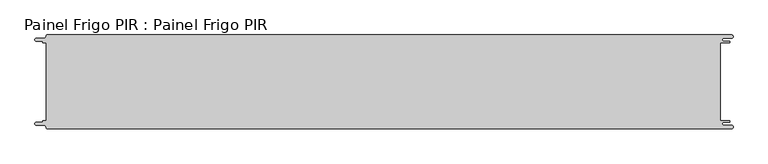
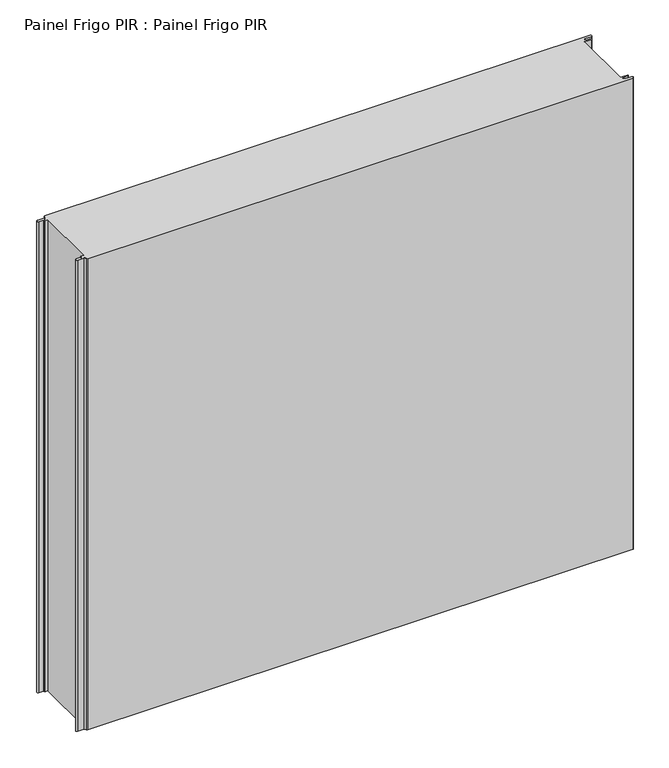
"""IFC4 building model written with IfcOpenShell, lengths in millimetres: proxy geometry, Painel Frigo PIR : Painel Frigo PIR."""

from ifc_helpers import new_model, si_unit, frame, origin, place, context, project, spatial, polyline, circle_curve, source, transform, mapped, element, save
from ifc_brep_helpers import plane_surface, cylinder_surface, revolved_surface, advanced_brep


def painel_frigo_pir_painel_frigo_pir_6bec396d(model_context):
    return source(origin(), model_context, "Body", "AdvancedBrep", [
        advanced_brep(
        [(-554.5874998, 62.3, 1000.0), (-549.2999612, 62.3, 1000.0), (-549.2999612, -62.2999995, 1000.0), (-554.5874998, -62.2999995, 1000.0), (-555.1875003, -62.9, 1000.0), (-555.1875003, -63.7085185, 1000.0), (-556.5875003, -65.1085185, 1000.0), (-565.565625, -65.1085185, 1000.0), (-565.565625, -69.5085185, 1000.0), (-553.55, -69.5085185, 1000.0), (-550.0, -73.0585185, 1000.0), (-548.05, -75.0, 1000.0), (546.89375, -75.0, 1000.0), (546.89375, -69.725, 1000.0), (534.45625, -69.725, 1000.0), (534.45625, -64.875, 1000.0), (543.1187503, -64.875, 1000.0), (543.1187503, -62.3, 1000.0), (529.2687503, -62.3, 1000.0), (529.2687503, 62.3, 1000.0), (543.1187503, 62.3, 1000.0), (543.1187503, 64.875, 1000.0), (534.45625, 64.875, 1000.0), (534.45625, 69.725, 1000.0), (546.89375, 69.725, 1000.0), (546.89375, 75.0, 1000.0), (-548.05, 75.0, 1000.0), (-550.0, 73.05, 1000.0), (-553.55, 69.5085185, 1000.0), (-565.565625, 69.5085185, 1000.0), (-565.565625, 65.1085187, 1000.0), (-556.5875001, 65.1085187, 1000.0), (-555.1874998, 63.7085184, 1000.0), (-555.1874998, 62.9, 1000.0), (-554.5874998, 62.3, 0.0), (-555.1874998, 62.9, 0.0), (-555.1874998, 63.7085184, 0.0), (-556.5875001, 65.1085187, 0.0), (-565.565625, 65.1085187, 0.0), (-565.565625, 69.5085185, 0.0), (-553.55, 69.5085185, 0.0), (-550.0, 73.0585185, 0.0), (-548.05, 75.0, 0.0), (546.89375, 75.0, 0.0), (546.89375, 69.725, 0.0), (534.45625, 69.725, 0.0), (534.45625, 64.875, 0.0), (543.1187503, 64.875, 0.0), (543.1187503, 62.3, 0.0), (529.2687503, 62.3, 0.0), (529.2687503, -62.3, 0.0), (543.1187503, -62.3, 0.0), (543.1187503, -64.875, 0.0), (534.45625, -64.875, 0.0), (534.45625, -69.725, 0.0), (546.89375, -69.725, 0.0), (546.89375, -75.0, 0.0), (-548.05, -75.0, 0.0), (-550.0, -73.05, 0.0), (-553.55, -69.5085185, 0.0), (-565.565625, -69.5085185, 0.0), (-565.565625, -65.1085185, 0.0), (-556.5875003, -65.1085185, 0.0), (-555.1875003, -63.7085185, 0.0), (-555.1875003, -62.9, 0.0), (-554.5874998, -62.2999995, 0.0), (-549.2999612, -62.2999995, 0.0), (-549.2999612, 62.3, 0.0)],
        [
            (0, 1),
            (1, 2),
            (2, 3),
            (3, 4, circle_curve(frame((-554.5874998, -62.9, 1000.0), z_axis=(0.0, 0.0, 1.0), x_axis=(1.0, 0.0, 0.0)), 0.6000005)),
            (4, 5),
            (5, 6, circle_curve(frame((-556.5875003, -63.7085185, 1000.0), z_axis=(0.0, 0.0, -1.0), x_axis=(1.0, 0.0, 0.0)), 1.4)),
            (6, 7),
            (7, 8, circle_curve(frame((-565.565625, -67.3085185, 1000.0), z_axis=(0.0, 0.0, 1.0), x_axis=(1.0, 0.0, 0.0)), 2.2)),
            (8, 9),
            (9, 10, circle_curve(frame((-553.55, -73.0585185, 1000.0), z_axis=(0.0, 0.0, -1.0), x_axis=(1.0, 0.0, 0.0)), 3.55)),
            (10, 11, circle_curve(frame((-548.05, -73.05, 1000.0), z_axis=(0.0, 0.0, 1.0), x_axis=(1.0, 0.0, 0.0)), 1.95)),
            (11, 12),
            (12, 13, circle_curve(frame((546.89375, -72.3625, 1000.0), z_axis=(0.0, 0.0, 1.0), x_axis=(1.0, 0.0, 0.0)), 2.6375)),
            (13, 14),
            (14, 15, circle_curve(frame((534.45625, -67.3, 1000.0), z_axis=(0.0, 0.0, -1.0), x_axis=(1.0, 0.0, 0.0)), 2.425)),
            (15, 16),
            (16, 17, circle_curve(frame((543.1187503, -63.5875, 1000.0), z_axis=(0.0, 0.0, 1.0), x_axis=(1.0, 0.0, 0.0)), 1.2875)),
            (17, 18),
            (18, 19),
            (19, 20),
            (20, 21, circle_curve(frame((543.1187503, 63.5875, 1000.0), z_axis=(0.0, 0.0, 1.0), x_axis=(1.0, 0.0, 0.0)), 1.2875)),
            (21, 22),
            (22, 23, circle_curve(frame((534.45625, 67.3, 1000.0), z_axis=(0.0, 0.0, -1.0), x_axis=(1.0, 0.0, 0.0)), 2.425)),
            (23, 24),
            (24, 25, circle_curve(frame((546.89375, 72.3625, 1000.0), z_axis=(0.0, 0.0, 1.0), x_axis=(1.0, 0.0, 0.0)), 2.6375)),
            (25, 26),
            (26, 27, circle_curve(frame((-548.05, 73.05, 1000.0), z_axis=(0.0, 0.0, 1.0), x_axis=(1.0, 0.0, 0.0)), 1.95)),
            (27, 28, circle_curve(frame((-553.55, 73.0585185, 1000.0), z_axis=(0.0, 0.0, -1.0), x_axis=(1.0, 0.0, 0.0)), 3.55)),
            (28, 29),
            (29, 30, circle_curve(frame((-565.565625, 67.3085186, 1000.0), z_axis=(0.0, 0.0, 1.0), x_axis=(1.0, 0.0, 0.0)), 2.1999999)),
            (30, 31),
            (31, 32, circle_curve(frame((-556.5875001, 63.7085184, 1000.0), z_axis=(0.0, 0.0, -1.0), x_axis=(1.0, 0.0, 0.0)), 1.4000003)),
            (32, 33),
            (33, 0, circle_curve(frame((-554.5874998, 62.9, 1000.0), z_axis=(0.0, 0.0, 1.0), x_axis=(1.0, 0.0, 0.0)), 0.6)),
            (34, 35, circle_curve(frame((-554.5874998, 62.9, 0.0), z_axis=(0.0, 0.0, -1.0), x_axis=(1.0, 0.0, 0.0)), 0.6)),
            (35, 36),
            (36, 37, circle_curve(frame((-556.5875001, 63.7085184, 0.0), z_axis=(0.0, 0.0, 1.0), x_axis=(1.0, 0.0, 0.0)), 1.4000003)),
            (37, 38),
            (38, 39, circle_curve(frame((-565.565625, 67.3085186, 0.0), z_axis=(0.0, 0.0, -1.0), x_axis=(1.0, 0.0, 0.0)), 2.1999999)),
            (39, 40),
            (40, 41, circle_curve(frame((-553.55, 73.0585185, 0.0), z_axis=(0.0, 0.0, 1.0), x_axis=(1.0, 0.0, 0.0)), 3.55)),
            (41, 42, circle_curve(frame((-548.05, 73.05, 0.0), z_axis=(0.0, 0.0, -1.0), x_axis=(1.0, 0.0, 0.0)), 1.95)),
            (42, 43),
            (43, 44, circle_curve(frame((546.89375, 72.3625, 0.0), z_axis=(0.0, 0.0, -1.0), x_axis=(1.0, 0.0, 0.0)), 2.6375)),
            (44, 45),
            (45, 46, circle_curve(frame((534.45625, 67.3, 0.0), z_axis=(0.0, 0.0, 1.0), x_axis=(1.0, 0.0, 0.0)), 2.425)),
            (46, 47),
            (47, 48, circle_curve(frame((543.1187503, 63.5875, 0.0), z_axis=(0.0, 0.0, -1.0), x_axis=(1.0, 0.0, 0.0)), 1.2875)),
            (48, 49),
            (49, 50),
            (50, 51),
            (51, 52, circle_curve(frame((543.1187503, -63.5875, 0.0), z_axis=(0.0, 0.0, -1.0), x_axis=(1.0, 0.0, 0.0)), 1.2875)),
            (52, 53),
            (53, 54, circle_curve(frame((534.45625, -67.3, 0.0), z_axis=(0.0, 0.0, 1.0), x_axis=(1.0, 0.0, 0.0)), 2.425)),
            (54, 55),
            (55, 56, circle_curve(frame((546.89375, -72.3625, 0.0), z_axis=(0.0, 0.0, -1.0), x_axis=(1.0, 0.0, 0.0)), 2.6375)),
            (56, 57),
            (57, 58, circle_curve(frame((-548.05, -73.05, 0.0), z_axis=(0.0, 0.0, -1.0), x_axis=(1.0, 0.0, 0.0)), 1.95)),
            (58, 59, circle_curve(frame((-553.55, -73.0585185, 0.0), z_axis=(0.0, 0.0, 1.0), x_axis=(1.0, 0.0, 0.0)), 3.55)),
            (59, 60),
            (60, 61, circle_curve(frame((-565.565625, -67.3085185, 0.0), z_axis=(0.0, 0.0, -1.0), x_axis=(1.0, 0.0, 0.0)), 2.2)),
            (61, 62),
            (62, 63, circle_curve(frame((-556.5875003, -63.7085185, 0.0), z_axis=(0.0, 0.0, 1.0), x_axis=(1.0, 0.0, 0.0)), 1.4)),
            (63, 64),
            (64, 65, circle_curve(frame((-554.5874998, -62.9, 0.0), z_axis=(0.0, 0.0, -1.0), x_axis=(1.0, 0.0, 0.0)), 0.6000005)),
            (65, 66),
            (66, 67),
            (67, 34),
            (0, 34),
            (67, 1),
            (66, 2),
            (65, 3),
            (64, 4),
            (63, 5),
            (62, 6),
            (61, 7),
            (60, 8),
            (59, 9),
            (58, 10),
            (57, 11),
            (56, 12),
            (18, 50),
            (49, 19),
            (48, 20),
            (47, 21),
            (46, 22),
            (45, 23),
            (44, 24),
            (43, 25),
            (42, 26),
            (41, 27),
            (40, 28),
            (39, 29),
            (38, 30),
            (37, 31),
            (36, 32),
            (35, 33),
            (55, 13),
            (54, 14),
            (53, 15),
            (52, 16),
            (51, 17),
        ],
        [
            plane_surface(frame((-549.2999612, 62.3, 1000.0), z_axis=(0.0, 0.0, 1.0), x_axis=(1.0, 0.0, 0.0))),
            plane_surface(frame((-549.2999612, 62.3, 0.0), z_axis=(0.0, 0.0, -1.0), x_axis=(-1.0, 0.0, 0.0))),
            plane_surface(frame((-554.5874998, 62.3, 1000.0), z_axis=(0.0, -1.0, 0.0), x_axis=(0.0, 0.0, -1.0))),
            plane_surface(frame((-549.2999612, 62.3, 1000.0), z_axis=(-1.0, 0.0, 0.0), x_axis=(0.0, 0.0, -1.0))),
            plane_surface(frame((-549.2999612, -62.2999995, 1000.0), z_axis=(0.0, 1.0, 0.0), x_axis=(0.0, 0.0, -1.0))),
            cylinder_surface(frame((-554.5874998, -62.9, 0.0), z_axis=(0.0, 0.0, 1.0), x_axis=(1.0, 0.0, 0.0)), 0.6000005),
            plane_surface(frame((-555.1875003, -62.9, 1000.0), z_axis=(-1.0, 1.7578608662329888e-12, 0.0), x_axis=(0.0, 0.0, -1.0))),
            revolved_surface(polyline([(-555.1875003, -63.7085185, 0.0), (-555.1875003, -63.7085185, 1000.0)]), (-556.5875003, -63.7085185, 0.0), (0.0, 0.0, -1.0)),
            plane_surface(frame((-556.5875003, -65.1085185, 1000.0), z_axis=(0.0, 1.0, 0.0), x_axis=(0.0, 0.0, -1.0))),
            cylinder_surface(frame((-565.565625, -67.3085185, 0.0), z_axis=(0.0, 0.0, 1.0), x_axis=(1.0, 0.0, 0.0)), 2.2),
            plane_surface(frame((-565.565625, -69.5085185, 1000.0), z_axis=(0.0, -1.0, 0.0), x_axis=(0.0, 0.0, -1.0))),
            revolved_surface(polyline([(-550.0, -73.0585185, 0.0), (-550.0, -73.0585185, 1000.0)]), (-553.55, -73.0585185, 0.0), (0.0, 0.0, -1.0)),
            cylinder_surface(frame((-548.05, -73.05, 0.0), z_axis=(0.0, 0.0, 1.0), x_axis=(1.0, 0.0, 0.0)), 1.95),
            plane_surface(frame((-548.05, -75.0, 1000.0), z_axis=(0.0, -1.0, 0.0), x_axis=(0.0, 0.0, -1.0))),
            plane_surface(frame((529.2687503, -62.3, 1000.0), z_axis=(1.0, 0.0, 0.0), x_axis=(0.0, 0.0, -1.0))),
            plane_surface(frame((529.2687503, 62.3, 1000.0), z_axis=(0.0, -1.0, 0.0), x_axis=(0.0, 0.0, -1.0))),
            cylinder_surface(frame((543.1187503, 63.5875, 0.0), z_axis=(0.0, 0.0, 1.0), x_axis=(1.0, 0.0, 0.0)), 1.2875),
            plane_surface(frame((543.1187503, 64.875, 1000.0), z_axis=(0.0, 1.0, 0.0), x_axis=(0.0, 0.0, -1.0))),
            revolved_surface(polyline([(536.8812499999999, 67.3, 0.0), (536.8812499999999, 67.3, 1000.0)]), (534.45625, 67.3, 0.0), (0.0, 0.0, -1.0)),
            plane_surface(frame((534.45625, 69.725, 1000.0), z_axis=(0.0, -1.0, 0.0), x_axis=(0.0, 0.0, -1.0))),
            cylinder_surface(frame((546.89375, 72.3625, 0.0), z_axis=(0.0, 0.0, 1.0), x_axis=(1.0, 0.0, 0.0)), 2.6375),
            plane_surface(frame((546.89375, 75.0, 1000.0), z_axis=(0.0, 1.0, 0.0), x_axis=(0.0, 0.0, -1.0))),
            cylinder_surface(frame((-548.05, 73.05, 0.0), z_axis=(0.0, 0.0, 1.0), x_axis=(1.0, 0.0, 0.0)), 1.95),
            revolved_surface(polyline([(-550.0, 73.0585185, 0.0), (-550.0, 73.0585185, 1000.0)]), (-553.55, 73.0585185, 0.0), (0.0, 0.0, -1.0)),
            plane_surface(frame((-553.55, 69.5085185, 1000.0), z_axis=(0.0, 1.0, 0.0), x_axis=(0.0, 0.0, -1.0))),
            cylinder_surface(frame((-565.565625, 67.3085186, 0.0), z_axis=(0.0, 0.0, 1.0), x_axis=(1.0, 0.0, 0.0)), 2.1999999),
            plane_surface(frame((-565.565625, 65.1085187, 1000.0), z_axis=(0.0, -1.0, 0.0), x_axis=(0.0, 0.0, -1.0))),
            revolved_surface(polyline([(-555.1874998000001, 63.7085184, 0.0), (-555.1874998000001, 63.7085184, 1000.0)]), (-556.5875001, 63.7085184, 0.0), (0.0, 0.0, -1.0)),
            plane_surface(frame((-555.1874998, 63.7085184, 1000.0), z_axis=(-1.0, 0.0, 0.0), x_axis=(0.0, 0.0, -1.0))),
            cylinder_surface(frame((-554.5874998, 62.9, 0.0), z_axis=(0.0, 0.0, 1.0), x_axis=(1.0, 0.0, 0.0)), 0.6),
            cylinder_surface(frame((546.89375, -72.3625, 0.0), z_axis=(0.0, 0.0, 1.0), x_axis=(1.0, 0.0, 0.0)), 2.6375),
            plane_surface(frame((546.89375, -69.725, 1000.0), z_axis=(0.0, 1.0, 0.0), x_axis=(0.0, 0.0, -1.0))),
            revolved_surface(polyline([(536.8812499999999, -67.3, 0.0), (536.8812499999999, -67.3, 1000.0)]), (534.45625, -67.3, 0.0), (0.0, 0.0, -1.0)),
            plane_surface(frame((534.45625, -64.875, 1000.0), z_axis=(0.0, -1.0, 0.0), x_axis=(0.0, 0.0, -1.0))),
            cylinder_surface(frame((543.1187503, -63.5875, 0.0), z_axis=(0.0, 0.0, 1.0), x_axis=(1.0, 0.0, 0.0)), 1.2875),
            plane_surface(frame((543.1187503, -62.3, 1000.0), z_axis=(0.0, 1.0, 0.0), x_axis=(0.0, 0.0, -1.0))),
        ],
        [
            (0, [[1, 2, 3, 4, 5, 6, 7, 8, 9, 10, 11, 12, 13, 14, 15, 16, 17, 18, 19, 20, 21, 22, 23, 24, 25, 26, 27, 28, 29, 30, 31, 32, 33, 34]]),
            (1, [[35, 36, 37, 38, 39, 40, 41, 42, 43, 44, 45, 46, 47, 48, 49, 50, 51, 52, 53, 54, 55, 56, 57, 58, 59, 60, 61, 62, 63, 64, 65, 66, 67, 68]]),
            (2, [[-1, 69, -68, 70]]),
            (3, [[-2, -70, -67, 71]]),
            (4, [[-3, -71, -66, 72]]),
            (5, [[-4, -72, -65, 73]]),
            (6, [[-5, -73, -64, 74]]),
            (7, [[-6, -74, -63, 75]]),
            (8, [[-7, -75, -62, 76]]),
            (9, [[-8, -76, -61, 77]]),
            (10, [[-9, -77, -60, 78]]),
            (11, [[-10, -78, -59, 79]]),
            (12, [[-11, -79, -58, 80]]),
            (13, [[-12, -80, -57, 81]]),
            (14, [[-19, 82, -50, 83]]),
            (15, [[-20, -83, -49, 84]]),
            (16, [[-21, -84, -48, 85]]),
            (17, [[-22, -85, -47, 86]]),
            (18, [[-23, -86, -46, 87]]),
            (19, [[-24, -87, -45, 88]]),
            (20, [[-25, -88, -44, 89]]),
            (21, [[-26, -89, -43, 90]]),
            (22, [[-27, -90, -42, 91]]),
            (23, [[-28, -91, -41, 92]]),
            (24, [[-29, -92, -40, 93]]),
            (25, [[-30, -93, -39, 94]]),
            (26, [[-31, -94, -38, 95]]),
            (27, [[-32, -95, -37, 96]]),
            (28, [[-33, -96, -36, 97]]),
            (29, [[-34, -97, -35, -69]]),
            (30, [[-13, -81, -56, 98]]),
            (31, [[-14, -98, -55, 99]]),
            (32, [[-15, -99, -54, 100]]),
            (33, [[-16, -100, -53, 101]]),
            (34, [[-17, -101, -52, 102]]),
            (35, [[-18, -102, -51, -82]]),
        ],
    ),
    ])


if __name__ == "__main__":
    model = new_model("IFC4")
    model_context = context("Model", 3, world=origin())
    ifc_project = project(units=[si_unit("LENGTHUNIT", "METRE", prefix="MILLI")], contexts=[model_context])
    site = spatial("IfcSite", under=ifc_project)
    building = spatial("IfcBuilding", under=site)
    placement = place(None, origin())
    painel_frigo_pir_painel_frigo_pir_shape = painel_frigo_pir_painel_frigo_pir_6bec396d(model_context)
    element("IfcBuildingElementProxy", 1, Name="Painel Frigo PIR : Painel Frigo PIR", ObjectType="Painel Frigo PIR : Painel Frigo PIR", at=placement, inside=building, context=model_context, shape_type="MappedRepresentation", body=[
        mapped(painel_frigo_pir_painel_frigo_pir_shape, transform((0.0, 0.0, 0.0), x_axis=(1.0, 0.0, 0.0), y_axis=(0.0, 1.0, 0.0), z_axis=(0.0, 0.0, 1.0))),
    ])
    save(model, "model.ifc")
